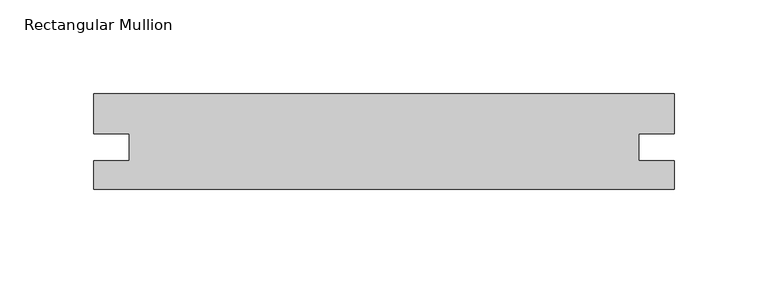
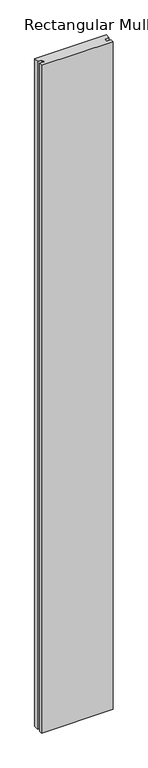
"""IFC4 building model written with IfcOpenShell, lengths in millimetres: member geometry, Rectangular Mullion."""

from ifc_helpers import new_model, si_unit, frame, origin, place, context, project, spatial, polyline, outline, extrude, source, transform, mapped, element, save


def rectangular_mullion_837c61a2(model_context):
    return source(origin(), model_context, "Body", "SweptSolid", [
        extrude(outline(polyline([(0.0, -28.5171778), (-309.5481209, -28.5171778), (-309.5481209, -13.4181478), (-290.5235209, -13.4181478), (-290.5235209, 0.8985511), (-309.5481196, 0.8985511), (-309.5481196, 22.2828222), (-1.3e-06, 22.2828222), (-1.3e-06, 0.8985511), (-19.0246, 0.8985511), (-19.0246, -13.4181478), (0.0, -13.4181478), (0.0, -28.5171778)])), frame((0.0, 0.0, -3048.0), z_axis=(0.0, 0.0, 1.0), x_axis=(1.0, 0.0, 0.0)), (0.0, 0.0, 1.0), 3048.0),
    ])


if __name__ == "__main__":
    model = new_model("IFC4")
    model_context = context("Model", 3, world=origin())
    ifc_project = project(units=[si_unit("LENGTHUNIT", "METRE", prefix="MILLI")], contexts=[model_context])
    site = spatial("IfcSite", under=ifc_project)
    building = spatial("IfcBuilding", under=site)
    placement = place(None, origin())
    rectangular_mullion_shape = rectangular_mullion_837c61a2(model_context)
    element("IfcMember", 1, ObjectType="Rectangular Mullion", at=placement, inside=building, context=model_context, shape_type="MappedRepresentation", body=[
        mapped(rectangular_mullion_shape, transform((0.0, 0.0, 0.0), x_axis=(1.0, 0.0, 0.0), y_axis=(0.0, 1.0, 0.0), z_axis=(0.0, 0.0, 1.0))),
    ])
    save(model, "model.ifc")
